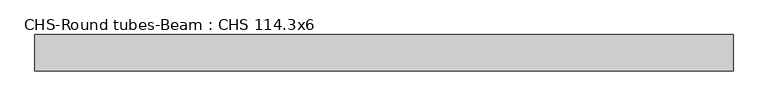
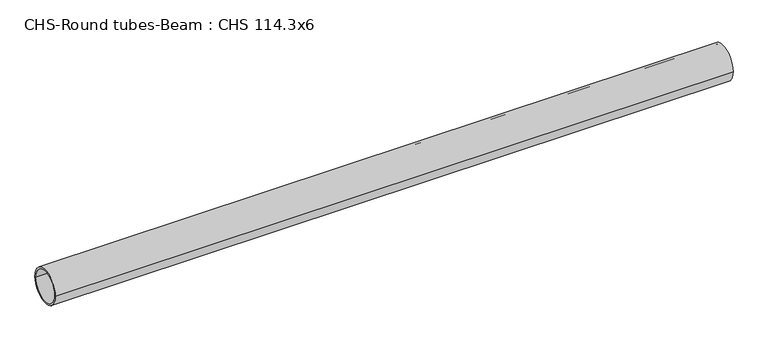
"""IFC4 building model written with IfcOpenShell, lengths in millimetres: beam geometry, CHS-Round tubes-Beam : CHS 114.3x6."""

from ifc_helpers import new_model, si_unit, point, frame, origin, origin_2d, place, context, project, spatial, circle_curve, trimmed, segment, composite_curve, outline, extrude, source, transform, mapped, element, save


def chs_round_tubes_beam_chs_114_3x6_991a5e24(model_context):
    return source(origin(), model_context, "Body", "SweptSolid", [
        extrude(outline(composite_curve([segment(trimmed(circle_curve(origin_2d(), 57.15), [point((57.15, 0.0))], [point((-57.15, 0.0))], False, "CARTESIAN"), True, "CONTINUOUS"), segment(trimmed(circle_curve(origin_2d(), 57.15), [point((-57.15, 0.0))], [point((57.15, 0.0))], False, "CARTESIAN"), True, "CONTINUOUS")], self_intersect=False), holes=[composite_curve([segment(trimmed(circle_curve(origin_2d(), 51.15), [point((51.15, 0.0))], [point((-51.15, 0.0))], True, "CARTESIAN"), True, "CONTINUOUS"), segment(trimmed(circle_curve(origin_2d(), 51.15), [point((-51.15, 0.0))], [point((51.15, 0.0))], True, "CARTESIAN"), True, "CONTINUOUS")], self_intersect=False)]), frame((-950.0992053, 0.0, 0.0), z_axis=(1.0, 0.0, 0.0), x_axis=(0.0, 1.0, 0.0)), (0.0, 0.0, 1.0), 2191.3011821),
    ])


if __name__ == "__main__":
    model = new_model("IFC4")
    model_context = context("Model", 3, world=origin())
    ifc_project = project(units=[si_unit("LENGTHUNIT", "METRE", prefix="MILLI")], contexts=[model_context])
    site = spatial("IfcSite", under=ifc_project)
    building = spatial("IfcBuilding", under=site)
    placement = place(None, origin())
    chs_round_tubes_beam_chs_114_3x6_shape = chs_round_tubes_beam_chs_114_3x6_991a5e24(model_context)
    element("IfcBeam", 1, ObjectType="CHS-Round tubes-Beam : CHS 114.3x6", at=placement, inside=building, context=model_context, shape_type="MappedRepresentation", body=[
        mapped(chs_round_tubes_beam_chs_114_3x6_shape, transform((0.0, 0.0, 0.0), x_axis=(1.0, 0.0, 0.0), y_axis=(0.0, 1.0, 0.0), z_axis=(0.0, 0.0, 1.0))),
    ])
    save(model, "model.ifc")
